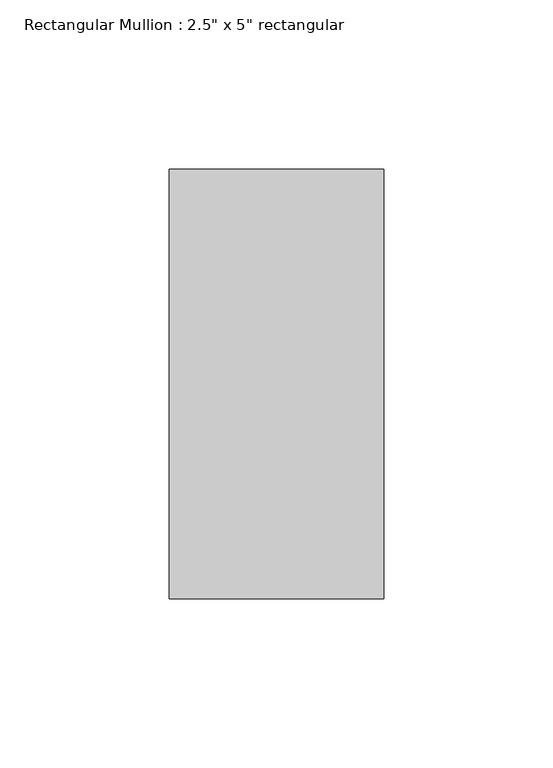
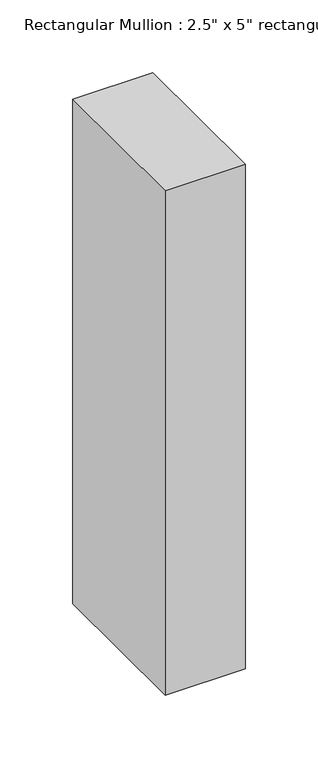
"""IFC4 building model written with IfcOpenShell, lengths in millimetres: member geometry."""

from ifc_helpers import new_model, si_unit, frame, origin, place, context, project, spatial, polyline, outline, extrude, source, transform, mapped, element, save


def member_7ef59639(model_context):
    return source(origin(), model_context, "Body", "SweptSolid", [
        extrude(outline(polyline([(31.75, 63.5), (31.75, -63.5), (-31.75, -63.5), (-31.75, 63.5), (31.75, 63.5)])), frame((0.0, 0.0, -423.2416103), z_axis=(0.0, 0.0, 1.0), x_axis=(1.0, 0.0, 0.0)), (0.0, 0.0, 1.0), 423.2416103),
    ])


if __name__ == "__main__":
    model = new_model("IFC4")
    model_context = context("Model", 3, world=origin())
    ifc_project = project(units=[si_unit("LENGTHUNIT", "METRE", prefix="MILLI")], contexts=[model_context])
    site = spatial("IfcSite", under=ifc_project)
    building = spatial("IfcBuilding", under=site)
    placement = place(None, origin())
    member_shape = member_7ef59639(model_context)
    element("IfcMember", 1, ObjectType="Rectangular Mullion : 2.5\" x 5\" rectangular", at=placement, inside=building, context=model_context, shape_type="MappedRepresentation", body=[
        mapped(member_shape, transform((0.0, 0.0, 0.0), x_axis=(1.0, 0.0, 0.0), y_axis=(0.0, 1.0, 0.0), z_axis=(0.0, 0.0, 1.0))),
    ])
    save(model, "model.ifc")
